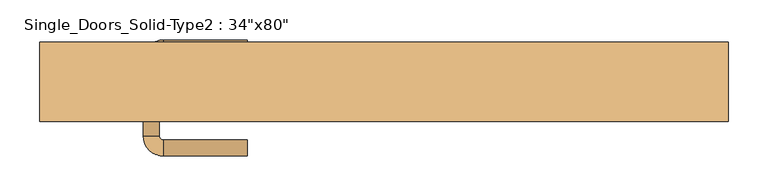
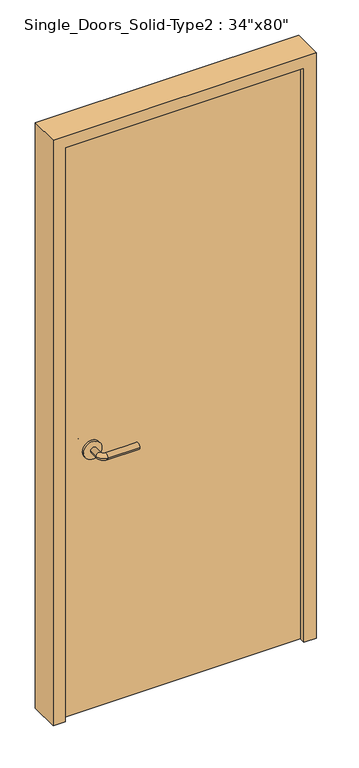
"""IFC4 building model written with IfcOpenShell, lengths in millimetres: door geometry."""

from ifc_helpers import new_model, si_unit, point, frame, frame_2d, origin, origin_with_axes, place, context, project, spatial, polyline, circle_curve, ellipse_curve, trimmed, segment, composite_curve, outline, extrude, source, transform, mapped, element, save
from ifc_brep_helpers import plane_surface, cylinder_surface, revolved_surface, advanced_brep


def door_fef66781(model_context):
    return source(origin(), model_context, "Body", "SolidModel", [
        advanced_brep(
        [(-301.8, 22.6, 900.0), (-281.8, 22.6, 900.0), (-301.8, 52.6, 900.0), (-281.8, 52.6, 900.0), (-276.8, 57.6, 900.0), (-276.8, 77.6, 900.0), (-171.8, 77.6, 900.0), (-171.8, 57.6, 900.0)],
        [
            (0, 1, circle_curve(frame((-291.8, 22.6, 900.0), z_axis=(0.0, -1.0, 0.0), x_axis=(1.0, 0.0, 0.0)), 10.0)),
            (1, 0, circle_curve(frame((-291.8, 22.6, 900.0), z_axis=(0.0, -1.0, 0.0), x_axis=(1.0, 0.0, 0.0)), 10.0)),
            (0, 2),
            (2, 3, circle_curve(frame((-291.8, 52.6, 900.0), z_axis=(0.0, -1.0, 0.0), x_axis=(1.0, 0.0, 0.0)), 10.0)),
            (3, 1),
            (3, 2, circle_curve(frame((-291.8, 52.6, 900.0), z_axis=(0.0, -1.0, 0.0), x_axis=(1.0, 0.0, 0.0)), 10.0)),
            (4, 3, circle_curve(frame((-276.8, 52.6, 900.0), z_axis=(0.0, 0.0, 1.0), x_axis=(-1.0, 0.0, 0.0)), 5.0)),
            (2, 5, circle_curve(frame((-276.8, 52.6, 900.0), z_axis=(0.0, 0.0, -1.0), x_axis=(-1.0, 0.0, 0.0)), 25.0)),
            (5, 4, circle_curve(frame((-276.8, 67.6, 900.0), z_axis=(-1.0, 0.0, 0.0), x_axis=(0.0, -1.0, 0.0)), 10.0)),
            (4, 5, circle_curve(frame((-276.8, 67.6, 900.0), z_axis=(-1.0, 0.0, 0.0), x_axis=(0.0, -1.0, 0.0)), 10.0)),
            (6, 7, circle_curve(frame((-171.8, 67.6, 900.0), z_axis=(1.0, 0.0, 0.0), x_axis=(0.0, -1.0, 0.0)), 10.0)),
            (7, 6, circle_curve(frame((-171.8, 67.6, 900.0), z_axis=(1.0, 0.0, 0.0), x_axis=(0.0, -1.0, 0.0)), 10.0)),
            (5, 6),
            (7, 4),
        ],
        [
            plane_surface(frame((-291.8, 22.6, 900.0), z_axis=(0.0, -1.0, 0.0), x_axis=(0.0, 0.0, 1.0))),
            cylinder_surface(frame((-291.8, 22.6, 900.0), z_axis=(0.0, -1.0, 0.0), x_axis=(1.0, 0.0, 0.0)), 10.0),
            revolved_surface(trimmed(ellipse_curve(frame((-291.8, 52.6, 900.0), z_axis=(0.0, -1.0, 0.0), x_axis=(1.0, 0.0, 0.0)), 10.0, 10.0), [point((-301.8, 52.6, 900.0))], [point((-281.8, 52.6, 900.0))], True, "CARTESIAN"), (-276.8, 52.6, 900.0), (0.0, 0.0, -1.0)),
            revolved_surface(trimmed(ellipse_curve(frame((-291.8, 52.6, 900.0), z_axis=(0.0, -1.0, 0.0), x_axis=(1.0, 0.0, 0.0)), 10.0, 10.0), [point((-281.8, 52.6, 900.0))], [point((-301.8, 52.6, 900.0))], True, "CARTESIAN"), (-276.8, 52.6, 900.0), (0.0, 0.0, -1.0)),
            plane_surface(frame((-171.8, 67.6, 900.0), z_axis=(1.0, 0.0, 0.0), x_axis=(0.0, 0.0, 1.0))),
            cylinder_surface(frame((-276.8, 67.6, 900.0), z_axis=(-1.0, 0.0, 0.0), x_axis=(0.0, -1.0, 0.0)), 10.0),
        ],
        [
            (0, [[1, 2]]),
            (1, [[-1, 3, 4, 5]]),
            (1, [[-2, -5, 6, -3]]),
            (2, [[7, -4, 8, 9]]),
            (3, [[-8, -6, -7, 10]]),
            (4, [[11, 12]]),
            (5, [[-9, 13, -12, 14]]),
            (5, [[-10, -14, -11, -13]]),
        ],
    ),
        extrude(outline(composite_curve([segment(trimmed(circle_curve(frame_2d((900.0, -294.3)), 30.0), [point((900.0, -324.3))], [point((900.0, -264.3))], False, "CARTESIAN"), True, "CONTINUOUS"), segment(trimmed(circle_curve(frame_2d((900.0, -294.3)), 30.0), [point((900.0, -264.3))], [point((900.0, -324.3))], False, "CARTESIAN"), True, "CONTINUOUS")], self_intersect=False)), frame((0.0, 14.6, 0.0), z_axis=(0.0, 1.0, 0.0), x_axis=(0.0, 0.0, 1.0)), (0.0, 0.0, 1.0), 8.0),
        advanced_brep(
        [(-301.8, -13.4, 900.0), (-281.8, -13.4, 900.0), (-281.8, -43.4, 900.0), (-301.8, -43.4, 900.0), (-276.8, -48.4, 900.0), (-276.8, -68.4, 900.0), (-171.8, -68.4, 900.0), (-171.8, -48.4, 900.0)],
        [
            (0, 1, circle_curve(frame((-291.8, -13.4, 900.0), z_axis=(0.0, 1.0, 0.0), x_axis=(1.0, 0.0, 0.0)), 10.0)),
            (1, 0, circle_curve(frame((-291.8, -13.4, 900.0), z_axis=(0.0, 1.0, 0.0), x_axis=(1.0, 0.0, 0.0)), 10.0)),
            (1, 2),
            (2, 3, circle_curve(frame((-291.8, -43.4, 900.0), z_axis=(0.0, 1.0, 0.0), x_axis=(1.0, 0.0, 0.0)), 10.0)),
            (3, 0),
            (3, 2, circle_curve(frame((-291.8, -43.4, 900.0), z_axis=(0.0, 1.0, 0.0), x_axis=(1.0, 0.0, 0.0)), 10.0)),
            (4, 5, circle_curve(frame((-276.8, -58.4, 900.0), z_axis=(-1.0, 0.0, 0.0), x_axis=(0.0, 1.0, 0.0)), 10.0)),
            (5, 3, circle_curve(frame((-276.8, -43.4, 900.0), z_axis=(0.0, 0.0, -1.0), x_axis=(-1.0, 0.0, 0.0)), 25.0)),
            (2, 4, circle_curve(frame((-276.8, -43.4, 900.0), z_axis=(0.0, 0.0, 1.0), x_axis=(-1.0, 0.0, 0.0)), 5.0)),
            (5, 4, circle_curve(frame((-276.8, -58.4, 900.0), z_axis=(-1.0, 0.0, 0.0), x_axis=(0.0, 1.0, 0.0)), 10.0)),
            (6, 7, circle_curve(frame((-171.8, -58.4, 900.0), z_axis=(1.0, 0.0, 0.0), x_axis=(0.0, 1.0, 0.0)), 10.0)),
            (7, 6, circle_curve(frame((-171.8, -58.4, 900.0), z_axis=(1.0, 0.0, 0.0), x_axis=(0.0, 1.0, 0.0)), 10.0)),
            (4, 7),
            (6, 5),
        ],
        [
            plane_surface(frame((-291.8, -13.4, 900.0), z_axis=(0.0, 1.0, 0.0), x_axis=(0.0, 0.0, 1.0))),
            cylinder_surface(frame((-291.8, -13.4, 900.0), z_axis=(0.0, 1.0, 0.0), x_axis=(1.0, 0.0, 0.0)), 10.0),
            revolved_surface(trimmed(ellipse_curve(frame((-291.8, -43.4, 900.0), z_axis=(0.0, -1.0, 0.0), x_axis=(1.0, 0.0, 0.0)), 10.0, 10.0), [point((-301.8, -43.4, 900.0))], [point((-281.8, -43.4, 900.0))], True, "CARTESIAN"), (-276.8, -43.4, 900.0), (0.0, 0.0, -1.0)),
            revolved_surface(trimmed(ellipse_curve(frame((-291.8, -43.4, 900.0), z_axis=(0.0, -1.0, 0.0), x_axis=(1.0, 0.0, 0.0)), 10.0, 10.0), [point((-281.8, -43.4, 900.0))], [point((-301.8, -43.4, 900.0))], True, "CARTESIAN"), (-276.8, -43.4, 900.0), (0.0, 0.0, -1.0)),
            plane_surface(frame((-171.8, -58.4, 900.0), z_axis=(1.0, 0.0, 0.0), x_axis=(0.0, 0.0, 1.0))),
            cylinder_surface(frame((-276.8, -58.4, 900.0), z_axis=(-1.0, 0.0, 0.0), x_axis=(0.0, 1.0, 0.0)), 10.0),
        ],
        [
            (0, [[1, 2]]),
            (1, [[3, 4, 5, -2]]),
            (1, [[-5, 6, -3, -1]]),
            (2, [[7, 8, -4, 9]]),
            (3, [[10, -9, -6, -8]]),
            (4, [[11, 12]]),
            (5, [[13, -11, 14, -7]]),
            (5, [[-14, -12, -13, -10]]),
        ],
    ),
        extrude(outline(composite_curve([segment(trimmed(circle_curve(frame_2d((900.0, -294.3)), 30.0), [point((900.0, -324.3))], [point((900.0, -264.3))], False, "CARTESIAN"), True, "CONTINUOUS"), segment(trimmed(circle_curve(frame_2d((900.0, -294.3)), 30.0), [point((900.0, -264.3))], [point((900.0, -324.3))], False, "CARTESIAN"), True, "CONTINUOUS")], self_intersect=False)), frame((0.0, -13.4, 0.0), z_axis=(0.0, 1.0, 0.0), x_axis=(0.0, 0.0, 1.0)), (0.0, 0.0, 1.0), 8.0),
        extrude(outline(polyline([(0.0, -391.8), (1992.0, -391.8), (1992.0, 391.8), (0.0, 391.8), (0.0, 431.8), (2032.0, 431.8), (2032.0, -431.8), (0.0, -431.8), (0.0, -391.8)])), frame((0.0, -25.4, 0.0), z_axis=(0.0, 1.0, 0.0), x_axis=(0.0, 0.0, 1.0)), (0.0, 0.0, 1.0), 100.0),
        extrude(outline(polyline([(391.8, 14.6), (391.8, -5.4), (-391.8, -5.4), (-391.8, 14.6), (391.8, 14.6)])), origin_with_axes(), (0.0, 0.0, 1.0), 1992.0),
    ])


if __name__ == "__main__":
    model = new_model("IFC4")
    model_context = context("Model", 3, world=origin())
    ifc_project = project(units=[si_unit("LENGTHUNIT", "METRE", prefix="MILLI")], contexts=[model_context])
    site = spatial("IfcSite", under=ifc_project)
    building = spatial("IfcBuilding", under=site)
    placement = place(None, origin())
    door_shape = door_fef66781(model_context)
    element("IfcDoor", 1, ObjectType="Single_Doors_Solid-Type2 : 34\"x80\"", at=placement, inside=building, context=model_context, shape_type="MappedRepresentation", body=[
        mapped(door_shape, transform((0.0, 0.0, 0.0), x_axis=(1.0, 0.0, 0.0), y_axis=(0.0, 1.0, 0.0), z_axis=(0.0, 0.0, 1.0))),
    ])
    save(model, "model.ifc")
